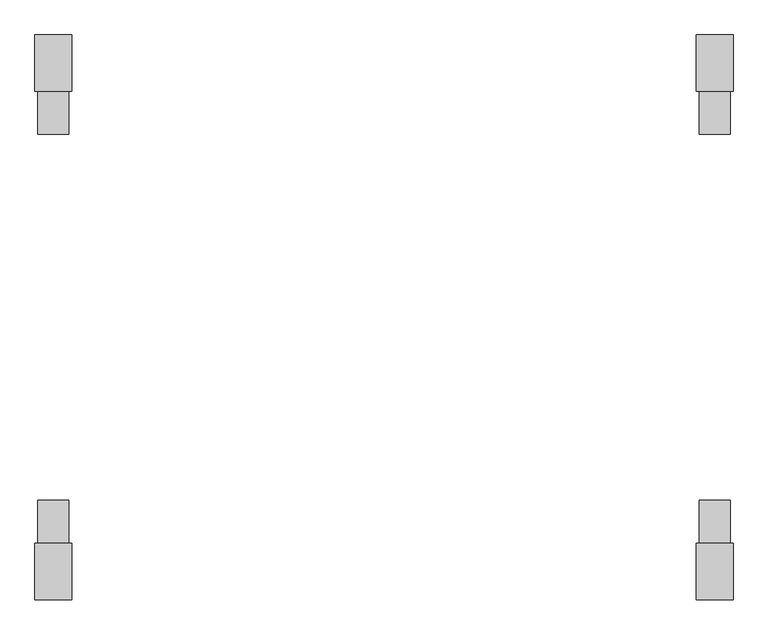
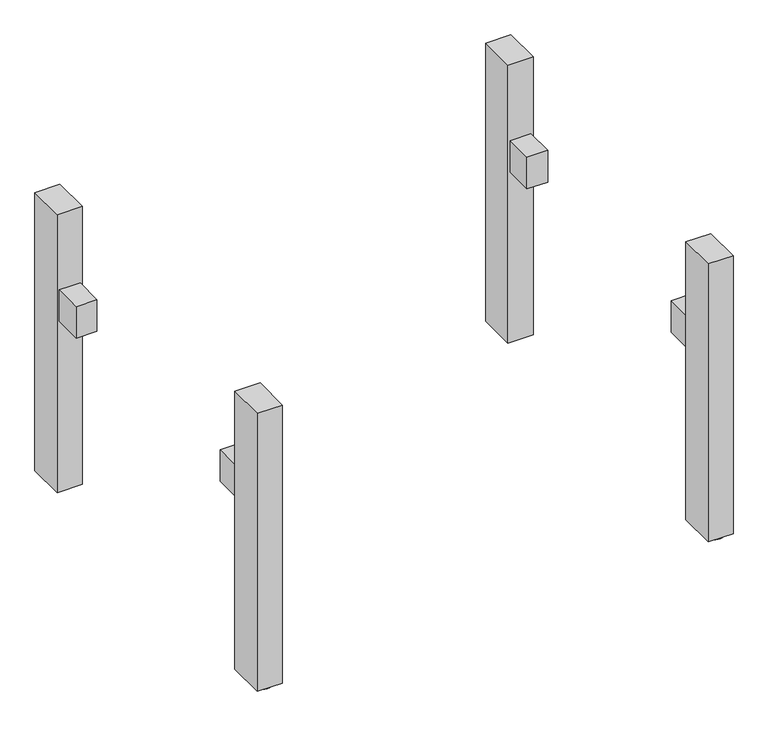
"""IFC4 building model written with IfcOpenShell, lengths in millimetres: furniture geometry."""

from ifc_helpers import new_model, si_unit, point, frame, frame_2d, origin, origin_with_axes, place, context, project, spatial, polyline, circle_curve, trimmed, segment, composite_curve, outline, extrude, source, transform, mapped, element, save


def furniture_dc3ff359(model_context):
    return source(origin(), model_context, "Body", "SweptSolid", [
        extrude(outline(polyline([(-565.0, -369.0), (-565.0, -299.0), (-515.0, -299.0), (-515.0, -369.0), (-565.0, -369.0)])), frame((0.0, 0.0, 437.5), z_axis=(0.0, 0.0, 1.0), x_axis=(1.0, 0.0, 0.0)), (0.0, 0.0, 1.0), 80.0),
        extrude(outline(polyline([(515.0, -369.0), (515.0, -299.0), (565.0, -299.0), (565.0, -369.0), (515.0, -369.0)])), frame((0.0, 0.0, 437.5), z_axis=(0.0, 0.0, 1.0), x_axis=(1.0, 0.0, 0.0)), (0.0, 0.0, 1.0), 80.0),
        extrude(outline(polyline([(-515.0, 369.0), (-515.0, 299.0), (-565.0, 299.0), (-565.0, 369.0), (-515.0, 369.0)])), frame((0.0, 0.0, 437.5), z_axis=(0.0, 0.0, 1.0), x_axis=(1.0, 0.0, 0.0)), (0.0, 0.0, 1.0), 80.0),
        extrude(outline(polyline([(565.0, 369.0), (565.0, 299.0), (515.0, 299.0), (515.0, 369.0), (565.0, 369.0)])), frame((0.0, 0.0, 437.5), z_axis=(0.0, 0.0, 1.0), x_axis=(1.0, 0.0, 0.0)), (0.0, 0.0, 1.0), 80.0),
        extrude(outline(composite_curve([segment(trimmed(circle_curve(frame_2d((-539.9999984, -431.0)), 25.0), [point((-564.9999984, -431.0))], [point((-514.9999984, -431.0))], False, "CARTESIAN"), True, "CONTINUOUS"), segment(trimmed(circle_curve(frame_2d((-539.9999984, -431.0)), 25.0), [point((-514.9999984, -431.0))], [point((-564.9999984, -431.0))], False, "CARTESIAN"), True, "CONTINUOUS")], self_intersect=False)), origin_with_axes(), (0.0, 0.0, 1.0), 6.0),
        extrude(outline(composite_curve([segment(trimmed(circle_curve(frame_2d((539.9999984, -431.0)), 25.0), [point((514.9999984, -431.0))], [point((564.9999984, -431.0))], False, "CARTESIAN"), True, "CONTINUOUS"), segment(trimmed(circle_curve(frame_2d((539.9999984, -431.0)), 25.0), [point((564.9999984, -431.0))], [point((514.9999984, -431.0))], False, "CARTESIAN"), True, "CONTINUOUS")], self_intersect=False)), origin_with_axes(), (0.0, 0.0, 1.0), 6.0),
        extrude(outline(composite_curve([segment(trimmed(circle_curve(frame_2d((-539.9999984, 431.0)), 25.0), [point((-564.9999984, 431.0))], [point((-514.9999984, 431.0))], False, "CARTESIAN"), True, "CONTINUOUS"), segment(trimmed(circle_curve(frame_2d((-539.9999984, 431.0)), 25.0), [point((-514.9999984, 431.0))], [point((-564.9999984, 431.0))], False, "CARTESIAN"), True, "CONTINUOUS")], self_intersect=False)), origin_with_axes(), (0.0, 0.0, 1.0), 6.0),
        extrude(outline(composite_curve([segment(trimmed(circle_curve(frame_2d((539.9999984, 431.0)), 25.0), [point((514.9999984, 431.0))], [point((564.9999984, 431.0))], False, "CARTESIAN"), True, "CONTINUOUS"), segment(trimmed(circle_curve(frame_2d((539.9999984, 431.0)), 25.0), [point((564.9999984, 431.0))], [point((514.9999984, 431.0))], False, "CARTESIAN"), True, "CONTINUOUS")], self_intersect=False)), origin_with_axes(), (0.0, 0.0, 1.0), 6.0),
        extrude(outline(polyline([(-509.9999968, 461.0), (-509.9999968, 369.0), (-570.0, 369.0), (-570.0, 461.0), (-509.9999968, 461.0)])), frame((0.0, 0.0, 6.0), z_axis=(0.0, 0.0, 1.0), x_axis=(1.0, 0.0, 0.0)), (0.0, 0.0, 1.0), 704.0),
        extrude(outline(polyline([(509.9999968, 461.0), (570.0, 461.0), (570.0, 369.0), (509.9999968, 369.0), (509.9999968, 461.0)])), frame((0.0, 0.0, 6.0), z_axis=(0.0, 0.0, 1.0), x_axis=(1.0, 0.0, 0.0)), (0.0, 0.0, 1.0), 704.0),
        extrude(outline(polyline([(-509.9999968, -461.0), (-570.0, -461.0), (-570.0, -369.0), (-509.9999968, -369.0), (-509.9999968, -461.0)])), frame((0.0, 0.0, 6.0), z_axis=(0.0, 0.0, 1.0), x_axis=(1.0, 0.0, 0.0)), (0.0, 0.0, 1.0), 704.0),
        extrude(outline(polyline([(509.9999968, -461.0), (509.9999968, -369.0), (570.0, -369.0), (570.0, -461.0), (509.9999968, -461.0)])), frame((0.0, 0.0, 6.0), z_axis=(0.0, 0.0, 1.0), x_axis=(1.0, 0.0, 0.0)), (0.0, 0.0, 1.0), 704.0),
    ])


if __name__ == "__main__":
    model = new_model("IFC4")
    model_context = context("Model", 3, world=origin())
    ifc_project = project(units=[si_unit("LENGTHUNIT", "METRE", prefix="MILLI")], contexts=[model_context])
    site = spatial("IfcSite", under=ifc_project)
    building = spatial("IfcBuilding", under=site)
    placement = place(None, origin())
    furniture_shape = furniture_dc3ff359(model_context)
    element("IfcFurniture", 1, at=placement, inside=building, context=model_context, shape_type="MappedRepresentation", body=[
        mapped(furniture_shape, transform((0.0, 0.0, 0.0), x_axis=(1.0, 0.0, 0.0), y_axis=(0.0, 1.0, 0.0), z_axis=(0.0, 0.0, 1.0))),
    ])
    save(model, "model.ifc")
